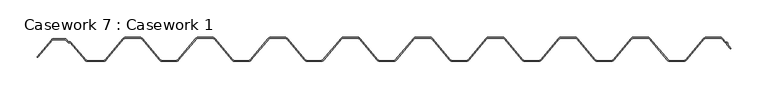
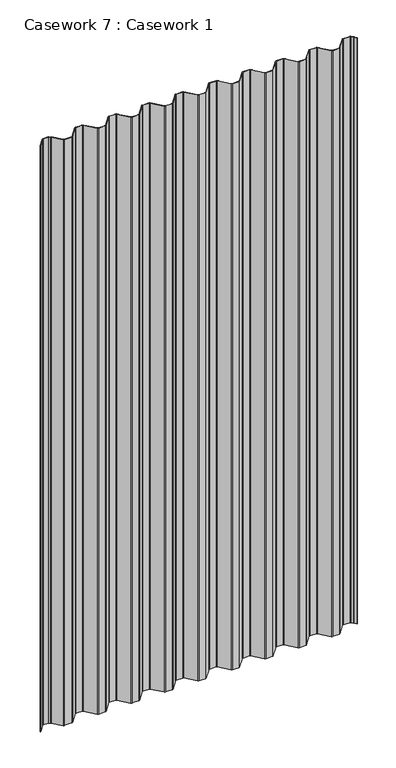
"""IFC4 building model written with IfcOpenShell, lengths in millimetres: furniture geometry, Casework 7 : Casework 1."""

from ifc_helpers import new_model, si_unit, point, frame, frame_2d, origin, place, context, project, spatial, polyline, circle_curve, trimmed, segment, composite_curve, outline, extrude, source, transform, mapped, element, save


def casework_7_casework_1_9f681fa9(model_context):
    return source(origin(), model_context, "Body", "SweptSolid", [
        extrude(outline(composite_curve([segment(polyline([(15845.6371749, 641.4396721), (15845.8426386, 643.672881), (15843.6094297, 643.8783447), (15839.1903616, 649.1929472)]), True, "CONTINUOUS"), segment(trimmed(circle_curve(frame_2d((15836.893565, 647.2629924)), 3.0), [point((15839.1903616, 649.1929472))], [point((15836.893565, 650.2629924))], True, "CARTESIAN"), True, "CONTINUOUS"), segment(polyline([(15836.893565, 650.2629924), (15817.8935645, 650.2629919)]), True, "CONTINUOUS"), segment(trimmed(circle_curve(frame_2d((15817.8935646, 647.2629919)), 3.0), [point((15817.8935645, 650.2629919))], [point((15815.5999142, 649.1966847))], True, "CARTESIAN"), True, "CONTINUOUS"), segment(polyline([(15815.5999142, 649.1966847), (15791.3517655, 620.4347353)]), True, "CONTINUOUS"), segment(trimmed(circle_curve(frame_2d((15788.293565, 623.0129924)), 4.0), [point((15791.3517655, 620.4347353))], [point((15788.293565, 619.0129924))], False, "CARTESIAN"), True, "CONTINUOUS"), segment(polyline([(15788.293565, 619.0129924), (15769.273565, 619.0129924)]), True, "CONTINUOUS"), segment(trimmed(circle_curve(frame_2d((15769.273565, 623.0129924)), 4.0), [point((15769.273565, 619.0129924))], [point((15766.2153653, 620.4347344))], False, "CARTESIAN"), True, "CONTINUOUS"), segment(polyline([(15766.2153653, 620.4347344), (15741.9723112, 649.1906242)]), True, "CONTINUOUS"), segment(trimmed(circle_curve(frame_2d((15739.673565, 647.2629919)), 3.0), [point((15741.9723112, 649.1906242))], [point((15739.6735651, 650.2629919))], True, "CARTESIAN"), True, "CONTINUOUS"), segment(polyline([(15739.6735651, 650.2629919), (15720.6735651, 650.2629924)]), True, "CONTINUOUS"), segment(trimmed(circle_curve(frame_2d((15720.673565, 647.2629924)), 3.0), [point((15720.6735651, 650.2629924))], [point((15718.3747391, 649.1905296))], True, "CARTESIAN"), True, "CONTINUOUS"), segment(polyline([(15718.3747391, 649.1905296), (15694.1369428, 620.4408889)]), True, "CONTINUOUS"), segment(trimmed(circle_curve(frame_2d((15691.073565, 623.0129924)), 4.0), [point((15694.1369428, 620.4408889))], [point((15691.073565, 619.0129924))], False, "CARTESIAN"), True, "CONTINUOUS"), segment(polyline([(15691.073565, 619.0129924), (15672.051565, 619.0129924)]), True, "CONTINUOUS"), segment(trimmed(circle_curve(frame_2d((15672.051565, 623.0129924)), 4.0), [point((15672.051565, 619.0129924))], [point((15668.9881873, 620.4408889))], False, "CARTESIAN"), True, "CONTINUOUS"), segment(polyline([(15668.9881873, 620.4408889), (15644.7503113, 649.1906241)]), True, "CONTINUOUS"), segment(trimmed(circle_curve(frame_2d((15642.451565, 647.2629919)), 3.0), [point((15644.7503113, 649.1906241))], [point((15642.451565, 650.2629919))], True, "CARTESIAN"), True, "CONTINUOUS"), segment(polyline([(15642.451565, 650.2629919), (15623.4533174, 650.2629919)]), True, "CONTINUOUS"), segment(trimmed(circle_curve(frame_2d((15623.451565, 647.2629924)), 3.0), [point((15623.4533174, 650.2629919))], [point((15621.1579147, 649.1966852))], True, "CARTESIAN"), True, "CONTINUOUS"), segment(polyline([(15621.1579147, 649.1966852), (15596.9097655, 620.4347353)]), True, "CONTINUOUS"), segment(trimmed(circle_curve(frame_2d((15593.851565, 623.0129924)), 4.0), [point((15596.9097655, 620.4347353))], [point((15593.851565, 619.0129924))], False, "CARTESIAN"), True, "CONTINUOUS"), segment(polyline([(15593.851565, 619.0129924), (15574.829565, 619.0129924)]), True, "CONTINUOUS"), segment(trimmed(circle_curve(frame_2d((15574.829565, 623.0129924)), 4.0), [point((15574.829565, 619.0129924))], [point((15571.7661873, 620.4408889))], False, "CARTESIAN"), True, "CONTINUOUS"), segment(polyline([(15571.7661873, 620.4408889), (15547.5283113, 649.1906241)]), True, "CONTINUOUS"), segment(trimmed(circle_curve(frame_2d((15545.229565, 647.2629919)), 3.0), [point((15547.5283113, 649.1906241))], [point((15545.229565, 650.2629919))], True, "CARTESIAN"), True, "CONTINUOUS"), segment(polyline([(15545.229565, 650.2629919), (15526.2313174, 650.2629919)]), True, "CONTINUOUS"), segment(trimmed(circle_curve(frame_2d((15526.229565, 647.2629924)), 3.0), [point((15526.2313174, 650.2629919))], [point((15523.9359151, 649.1966857))], True, "CARTESIAN"), True, "CONTINUOUS"), segment(polyline([(15523.9359151, 649.1966857), (15499.6929428, 620.4408889)]), True, "CONTINUOUS"), segment(trimmed(circle_curve(frame_2d((15496.629565, 623.0129924)), 4.0), [point((15499.6929428, 620.4408889))], [point((15496.629565, 619.0129924))], False, "CARTESIAN"), True, "CONTINUOUS"), segment(polyline([(15496.629565, 619.0129924), (15477.607565, 619.0129924)]), True, "CONTINUOUS"), segment(trimmed(circle_curve(frame_2d((15477.607565, 623.0129924)), 4.0), [point((15477.607565, 619.0129924))], [point((15474.5441873, 620.4408889))], False, "CARTESIAN"), True, "CONTINUOUS"), segment(polyline([(15474.5441873, 620.4408889), (15450.3063113, 649.1906241)]), True, "CONTINUOUS"), segment(trimmed(circle_curve(frame_2d((15448.007565, 647.2629919)), 3.0), [point((15450.3063113, 649.1906241))], [point((15448.0075651, 650.2629919))], True, "CARTESIAN"), True, "CONTINUOUS"), segment(polyline([(15448.0075651, 650.2629919), (15429.0075651, 650.2629924)]), True, "CONTINUOUS"), segment(trimmed(circle_curve(frame_2d((15429.007565, 647.2629924)), 3.0), [point((15429.0075651, 650.2629924))], [point((15426.7087392, 649.1905297))], True, "CARTESIAN"), True, "CONTINUOUS"), segment(polyline([(15426.7087392, 649.1905297), (15402.4657648, 620.4347344)]), True, "CONTINUOUS"), segment(trimmed(circle_curve(frame_2d((15399.407565, 623.0129924)), 4.0), [point((15402.4657648, 620.4347344))], [point((15399.407565, 619.0129924))], False, "CARTESIAN"), True, "CONTINUOUS"), segment(polyline([(15399.407565, 619.0129924), (15380.385565, 619.0129924)]), True, "CONTINUOUS"), segment(trimmed(circle_curve(frame_2d((15380.385565, 623.0129924)), 4.0), [point((15380.385565, 619.0129924))], [point((15377.3273645, 620.4347353))], False, "CARTESIAN"), True, "CONTINUOUS"), segment(polyline([(15377.3273645, 620.4347353), (15353.0792154, 649.1966852)]), True, "CONTINUOUS"), segment(trimmed(circle_curve(frame_2d((15350.785565, 647.2629924)), 3.0), [point((15353.0792154, 649.1966852))], [point((15350.785565, 650.2629924))], True, "CARTESIAN"), True, "CONTINUOUS"), segment(polyline([(15350.785565, 650.2629924), (15331.7855645, 650.2629919)]), True, "CONTINUOUS"), segment(trimmed(circle_curve(frame_2d((15331.7855646, 647.2629919)), 3.0), [point((15331.7855645, 650.2629919))], [point((15329.4919146, 649.1966852))], True, "CARTESIAN"), True, "CONTINUOUS"), segment(polyline([(15329.4919146, 649.1966852), (15305.2489428, 620.4408889)]), True, "CONTINUOUS"), segment(trimmed(circle_curve(frame_2d((15302.185565, 623.0129924)), 4.0), [point((15305.2489428, 620.4408889))], [point((15302.185565, 619.0129924))], False, "CARTESIAN"), True, "CONTINUOUS"), segment(polyline([(15302.185565, 619.0129924), (15283.161565, 619.0129924)]), True, "CONTINUOUS"), segment(trimmed(circle_curve(frame_2d((15283.161565, 623.0129924)), 4.0), [point((15283.161565, 619.0129924))], [point((15280.0981873, 620.4408889))], False, "CARTESIAN"), True, "CONTINUOUS"), segment(polyline([(15280.0981873, 620.4408889), (15255.8603113, 649.1906241)]), True, "CONTINUOUS"), segment(trimmed(circle_curve(frame_2d((15253.561565, 647.2629919)), 3.0), [point((15255.8603113, 649.1906241))], [point((15253.5615651, 650.2629919))], True, "CARTESIAN"), True, "CONTINUOUS"), segment(polyline([(15253.5615651, 650.2629919), (15234.5615651, 650.2629924)]), True, "CONTINUOUS"), segment(trimmed(circle_curve(frame_2d((15234.561565, 647.2629924)), 3.0), [point((15234.5615651, 650.2629924))], [point((15232.2627391, 649.1905296))], True, "CARTESIAN"), True, "CONTINUOUS"), segment(polyline([(15232.2627391, 649.1905296), (15208.0249428, 620.4408889)]), True, "CONTINUOUS"), segment(trimmed(circle_curve(frame_2d((15204.961565, 623.0129924)), 4.0), [point((15208.0249428, 620.4408889))], [point((15204.961565, 619.0129924))], False, "CARTESIAN"), True, "CONTINUOUS"), segment(polyline([(15204.961565, 619.0129924), (15185.939565, 619.0129924)]), True, "CONTINUOUS"), segment(trimmed(circle_curve(frame_2d((15185.939565, 623.0129924)), 4.0), [point((15185.939565, 619.0129924))], [point((15182.8761873, 620.4408889))], False, "CARTESIAN"), True, "CONTINUOUS"), segment(polyline([(15182.8761873, 620.4408889), (15158.6383113, 649.1906241)]), True, "CONTINUOUS"), segment(trimmed(circle_curve(frame_2d((15156.339565, 647.2629919)), 3.0), [point((15158.6383113, 649.1906241))], [point((15156.3395651, 650.2629919))], True, "CARTESIAN"), True, "CONTINUOUS"), segment(polyline([(15156.3395651, 650.2629919), (15137.3395651, 650.2629924)]), True, "CONTINUOUS"), segment(trimmed(circle_curve(frame_2d((15137.339565, 647.2629924)), 3.0), [point((15137.3395651, 650.2629924))], [point((15135.0407391, 649.1905296))], True, "CARTESIAN"), True, "CONTINUOUS"), segment(polyline([(15135.0407391, 649.1905296), (15110.8029428, 620.4408889)]), True, "CONTINUOUS"), segment(trimmed(circle_curve(frame_2d((15107.739565, 623.0129924)), 4.0), [point((15110.8029428, 620.4408889))], [point((15107.739565, 619.0129924))], False, "CARTESIAN"), True, "CONTINUOUS"), segment(polyline([(15107.739565, 619.0129924), (15088.717565, 619.0129924)]), True, "CONTINUOUS"), segment(trimmed(circle_curve(frame_2d((15088.717565, 623.0129924)), 4.0), [point((15088.717565, 619.0129924))], [point((15085.6541873, 620.4408889))], False, "CARTESIAN"), True, "CONTINUOUS"), segment(polyline([(15085.6541873, 620.4408889), (15061.4163113, 649.1906241)]), True, "CONTINUOUS"), segment(trimmed(circle_curve(frame_2d((15059.117565, 647.2629919)), 3.0), [point((15061.4163113, 649.1906241))], [point((15059.1175651, 650.2629919))], True, "CARTESIAN"), True, "CONTINUOUS"), segment(polyline([(15059.1175651, 650.2629919), (15040.1175651, 650.2629924)]), True, "CONTINUOUS"), segment(trimmed(circle_curve(frame_2d((15040.117565, 647.2629924)), 3.0), [point((15040.1175651, 650.2629924))], [point((15037.8187391, 649.1905296))], True, "CARTESIAN"), True, "CONTINUOUS"), segment(polyline([(15037.8187391, 649.1905296), (15013.5809428, 620.4408889)]), True, "CONTINUOUS"), segment(trimmed(circle_curve(frame_2d((15010.517565, 623.0129924)), 4.0), [point((15013.5809428, 620.4408889))], [point((15010.517565, 619.0129924))], False, "CARTESIAN"), True, "CONTINUOUS"), segment(polyline([(15010.517565, 619.0129924), (14988.7367355, 619.0129924)]), True, "CONTINUOUS"), segment(trimmed(circle_curve(frame_2d((14988.7367355, 623.0129924)), 4.0), [point((14988.7367355, 619.0129924))], [point((14985.6874313, 620.4242198))], False, "CARTESIAN"), True, "CONTINUOUS"), segment(polyline([(14985.6874313, 620.4242198), (14965.5584949, 644.2629924), (14963.6630823, 644.2629924)]), True, "CONTINUOUS"), segment(trimmed(circle_curve(frame_2d((14963.6630823, 646.2629924)), 2.0), [point((14963.6630823, 644.2629924))], [point((14962.1252507, 644.9842923))], False, "CARTESIAN"), True, "CONTINUOUS"), segment(polyline([(14962.1252507, 644.9842923), (14959.3925009, 648.2708403), (14943.9399323, 648.2629924)]), True, "CONTINUOUS"), segment(trimmed(circle_curve(frame_2d((14943.9399323, 645.2629924)), 3.0), [point((14943.9399323, 648.2629924))], [point((14941.6514749, 647.2028282))], True, "CARTESIAN"), True, "CONTINUOUS"), segment(polyline([(14941.6514749, 647.2028282), (14922.5196012, 624.5095632)]), True, "CONTINUOUS"), segment(trimmed(circle_curve(frame_2d((14922.1876551, 624.8872827)), 0.5028521), [point((14922.5196012, 624.5095632))], [point((14921.7966256, 625.2034411))], False, "CARTESIAN"), True, "CONTINUOUS"), segment(polyline([(14921.7966256, 625.2034411), (14940.8757545, 647.8341429)]), True, "CONTINUOUS"), segment(trimmed(circle_curve(frame_2d((14943.9399323, 645.2629924)), 4.0), [point((14940.8757545, 647.8341429))], [point((14943.9399323, 649.2629924))], False, "CARTESIAN"), True, "CONTINUOUS"), segment(polyline([(14943.9399323, 649.2629924), (14959.391993, 649.27084)]), True, "CONTINUOUS"), segment(trimmed(circle_curve(frame_2d((14959.3925009, 648.2708403)), 1.0), [point((14959.391993, 649.27084))], [point((14960.1614167, 648.9101903))], False, "CARTESIAN"), True, "CONTINUOUS"), segment(polyline([(14960.1614167, 648.9101903), (14962.8941665, 645.6236424)]), True, "CONTINUOUS"), segment(trimmed(circle_curve(frame_2d((14963.6630823, 646.2629924)), 1.0), [point((14962.8941665, 645.6236424))], [point((14963.6630823, 645.2629924))], True, "CARTESIAN"), True, "CONTINUOUS"), segment(polyline([(14963.6630823, 645.2629924), (14966.0229233, 645.2629924), (14986.4386022, 621.0846296)]), True, "CONTINUOUS"), segment(trimmed(circle_curve(frame_2d((14988.7367355, 623.0129924)), 3.0), [point((14986.4386022, 621.0846296))], [point((14988.7367355, 620.0129924))], True, "CARTESIAN"), True, "CONTINUOUS"), segment(polyline([(14988.7367355, 620.0129924), (15010.517565, 620.0129924)]), True, "CONTINUOUS"), segment(trimmed(circle_curve(frame_2d((15010.517565, 623.0129924)), 3.0), [point((15010.517565, 620.0129924))], [point((15012.8156984, 621.0846296))], True, "CARTESIAN"), True, "CONTINUOUS"), segment(polyline([(15012.8156984, 621.0846296), (15037.0533873, 649.8341429)]), True, "CONTINUOUS"), segment(trimmed(circle_curve(frame_2d((15040.117565, 647.2629924)), 4.0), [point((15037.0533873, 649.8341429))], [point((15040.117565, 651.2629924))], False, "CARTESIAN"), True, "CONTINUOUS"), segment(polyline([(15040.117565, 651.2629924), (15059.117565, 651.2629924)]), True, "CONTINUOUS"), segment(trimmed(circle_curve(frame_2d((15059.117565, 647.2629924)), 4.0), [point((15059.117565, 651.2629924))], [point((15062.1817428, 649.8341429))], False, "CARTESIAN"), True, "CONTINUOUS"), segment(polyline([(15062.1817428, 649.8341429), (15086.4194317, 621.0846296)]), True, "CONTINUOUS"), segment(trimmed(circle_curve(frame_2d((15088.717565, 623.0129924)), 3.0), [point((15086.4194317, 621.0846296))], [point((15088.717565, 620.0129924))], True, "CARTESIAN"), True, "CONTINUOUS"), segment(polyline([(15088.717565, 620.0129924), (15107.739565, 620.0129924)]), True, "CONTINUOUS"), segment(trimmed(circle_curve(frame_2d((15107.739565, 623.0129924)), 3.0), [point((15107.739565, 620.0129924))], [point((15110.0376984, 621.0846296))], True, "CARTESIAN"), True, "CONTINUOUS"), segment(polyline([(15110.0376984, 621.0846296), (15134.2753873, 649.8341429)]), True, "CONTINUOUS"), segment(trimmed(circle_curve(frame_2d((15137.339565, 647.2629924)), 4.0), [point((15134.2753873, 649.8341429))], [point((15137.339565, 651.2629924))], False, "CARTESIAN"), True, "CONTINUOUS"), segment(polyline([(15137.339565, 651.2629924), (15156.339565, 651.2629924)]), True, "CONTINUOUS"), segment(trimmed(circle_curve(frame_2d((15156.339565, 647.2629924)), 4.0), [point((15156.339565, 651.2629924))], [point((15159.4037428, 649.8341429))], False, "CARTESIAN"), True, "CONTINUOUS"), segment(polyline([(15159.4037428, 649.8341429), (15183.6414317, 621.0846296)]), True, "CONTINUOUS"), segment(trimmed(circle_curve(frame_2d((15185.939565, 623.0129924)), 3.0), [point((15183.6414317, 621.0846296))], [point((15185.939565, 620.0129924))], True, "CARTESIAN"), True, "CONTINUOUS"), segment(polyline([(15185.939565, 620.0129924), (15204.961565, 620.0129924)]), True, "CONTINUOUS"), segment(trimmed(circle_curve(frame_2d((15204.961565, 623.0129924)), 3.0), [point((15204.961565, 620.0129924))], [point((15207.2596984, 621.0846296))], True, "CARTESIAN"), True, "CONTINUOUS"), segment(polyline([(15207.2596984, 621.0846296), (15231.4973873, 649.8341429)]), True, "CONTINUOUS"), segment(trimmed(circle_curve(frame_2d((15234.561565, 647.2629924)), 4.0), [point((15231.4973873, 649.8341429))], [point((15234.561565, 651.2629924))], False, "CARTESIAN"), True, "CONTINUOUS"), segment(polyline([(15234.561565, 651.2629924), (15253.561565, 651.2629924)]), True, "CONTINUOUS"), segment(trimmed(circle_curve(frame_2d((15253.561565, 647.2629924)), 4.0), [point((15253.561565, 651.2629924))], [point((15256.6257428, 649.8341429))], False, "CARTESIAN"), True, "CONTINUOUS"), segment(polyline([(15256.6257428, 649.8341429), (15280.8634317, 621.0846296)]), True, "CONTINUOUS"), segment(trimmed(circle_curve(frame_2d((15283.161565, 623.0129924)), 3.0), [point((15280.8634317, 621.0846296))], [point((15283.161565, 620.0129924))], True, "CARTESIAN"), True, "CONTINUOUS"), segment(polyline([(15283.161565, 620.0129924), (15302.185565, 620.0129924)]), True, "CONTINUOUS"), segment(trimmed(circle_curve(frame_2d((15302.185565, 623.0129924)), 3.0), [point((15302.185565, 620.0129924))], [point((15304.4836984, 621.0846296))], True, "CARTESIAN"), True, "CONTINUOUS"), segment(polyline([(15304.4836984, 621.0846296), (15328.7273651, 649.8412502)]), True, "CONTINUOUS"), segment(trimmed(circle_curve(frame_2d((15331.785565, 647.2629924)), 4.0), [point((15328.7273651, 649.8412502))], [point((15331.785565, 651.2629924))], False, "CARTESIAN"), True, "CONTINUOUS"), segment(polyline([(15331.785565, 651.2629924), (15350.785565, 651.2629924)]), True, "CONTINUOUS"), segment(trimmed(circle_curve(frame_2d((15350.785565, 647.2629924)), 4.0), [point((15350.785565, 651.2629924))], [point((15353.8437655, 649.8412495))], False, "CARTESIAN"), True, "CONTINUOUS"), segment(polyline([(15353.8437655, 649.8412495), (15378.0919147, 621.0792996)]), True, "CONTINUOUS"), segment(trimmed(circle_curve(frame_2d((15380.385565, 623.0129924)), 3.0), [point((15378.0919147, 621.0792996))], [point((15380.385565, 620.0129924))], True, "CARTESIAN"), True, "CONTINUOUS"), segment(polyline([(15380.385565, 620.0129924), (15399.407565, 620.0129924)]), True, "CONTINUOUS"), segment(trimmed(circle_curve(frame_2d((15399.407565, 623.0129924)), 3.0), [point((15399.407565, 620.0129924))], [point((15401.7012149, 621.0792989))], True, "CARTESIAN"), True, "CONTINUOUS"), segment(polyline([(15401.7012149, 621.0792989), (15425.9433873, 649.8341429)]), True, "CONTINUOUS"), segment(trimmed(circle_curve(frame_2d((15429.007565, 647.2629924)), 4.0), [point((15425.9433873, 649.8341429))], [point((15429.007565, 651.2629924))], False, "CARTESIAN"), True, "CONTINUOUS"), segment(polyline([(15429.007565, 651.2629924), (15448.007565, 651.2629924)]), True, "CONTINUOUS"), segment(trimmed(circle_curve(frame_2d((15448.007565, 647.2629924)), 4.0), [point((15448.007565, 651.2629924))], [point((15451.0717428, 649.8341429))], False, "CARTESIAN"), True, "CONTINUOUS"), segment(polyline([(15451.0717428, 649.8341429), (15475.3094317, 621.0846296)]), True, "CONTINUOUS"), segment(trimmed(circle_curve(frame_2d((15477.607565, 623.0129924)), 3.0), [point((15475.3094317, 621.0846296))], [point((15477.607565, 620.0129924))], True, "CARTESIAN"), True, "CONTINUOUS"), segment(polyline([(15477.607565, 620.0129924), (15496.629565, 620.0129924)]), True, "CONTINUOUS"), segment(trimmed(circle_curve(frame_2d((15496.629565, 623.0129924)), 3.0), [point((15496.629565, 620.0129924))], [point((15498.9276984, 621.0846296))], True, "CARTESIAN"), True, "CONTINUOUS"), segment(polyline([(15498.9276984, 621.0846296), (15523.1713651, 649.8412502)]), True, "CONTINUOUS"), segment(trimmed(circle_curve(frame_2d((15526.229565, 647.2629924)), 4.0), [point((15523.1713651, 649.8412502))], [point((15526.229565, 651.2629924))], False, "CARTESIAN"), True, "CONTINUOUS"), segment(polyline([(15526.229565, 651.2629924), (15545.229565, 651.2629924)]), True, "CONTINUOUS"), segment(trimmed(circle_curve(frame_2d((15545.229565, 647.2629924)), 4.0), [point((15545.229565, 651.2629924))], [point((15548.2937428, 649.8341429))], False, "CARTESIAN"), True, "CONTINUOUS"), segment(polyline([(15548.2937428, 649.8341429), (15572.5314317, 621.0846296)]), True, "CONTINUOUS"), segment(trimmed(circle_curve(frame_2d((15574.829565, 623.0129924)), 3.0), [point((15572.5314317, 621.0846296))], [point((15574.829565, 620.0129924))], True, "CARTESIAN"), True, "CONTINUOUS"), segment(polyline([(15574.829565, 620.0129924), (15593.851565, 620.0129924)]), True, "CONTINUOUS"), segment(trimmed(circle_curve(frame_2d((15593.851565, 623.0129924)), 3.0), [point((15593.851565, 620.0129924))], [point((15596.1452154, 621.0792996))], True, "CARTESIAN"), True, "CONTINUOUS"), segment(polyline([(15596.1452154, 621.0792996), (15620.3933645, 649.8412495)]), True, "CONTINUOUS"), segment(trimmed(circle_curve(frame_2d((15623.451565, 647.2629924)), 4.0), [point((15620.3933645, 649.8412495))], [point((15623.451565, 651.2629924))], False, "CARTESIAN"), True, "CONTINUOUS"), segment(polyline([(15623.451565, 651.2629924), (15642.451565, 651.2629924)]), True, "CONTINUOUS"), segment(trimmed(circle_curve(frame_2d((15642.451565, 647.2629924)), 4.0), [point((15642.451565, 651.2629924))], [point((15645.5157428, 649.8341429))], False, "CARTESIAN"), True, "CONTINUOUS"), segment(polyline([(15645.5157428, 649.8341429), (15669.7534317, 621.0846296)]), True, "CONTINUOUS"), segment(trimmed(circle_curve(frame_2d((15672.051565, 623.0129924)), 3.0), [point((15669.7534317, 621.0846296))], [point((15672.051565, 620.0129924))], True, "CARTESIAN"), True, "CONTINUOUS"), segment(polyline([(15672.051565, 620.0129924), (15691.073565, 620.0129924)]), True, "CONTINUOUS"), segment(trimmed(circle_curve(frame_2d((15691.073565, 623.0129924)), 3.0), [point((15691.073565, 620.0129924))], [point((15693.3716984, 621.0846296))], True, "CARTESIAN"), True, "CONTINUOUS"), segment(polyline([(15693.3716984, 621.0846296), (15717.6093873, 649.8341429)]), True, "CONTINUOUS"), segment(trimmed(circle_curve(frame_2d((15720.673565, 647.2629924)), 4.0), [point((15717.6093873, 649.8341429))], [point((15720.673565, 651.2629924))], False, "CARTESIAN"), True, "CONTINUOUS"), segment(polyline([(15720.673565, 651.2629924), (15739.673565, 651.2629924)]), True, "CONTINUOUS"), segment(trimmed(circle_curve(frame_2d((15739.673565, 647.2629924)), 4.0), [point((15739.673565, 651.2629924))], [point((15742.7377428, 649.8341429))], False, "CARTESIAN"), True, "CONTINUOUS"), segment(polyline([(15742.7377428, 649.8341429), (15766.9799152, 621.0792989)]), True, "CONTINUOUS"), segment(trimmed(circle_curve(frame_2d((15769.273565, 623.0129924)), 3.0), [point((15766.9799152, 621.0792989))], [point((15769.273565, 620.0129924))], True, "CARTESIAN"), True, "CONTINUOUS"), segment(polyline([(15769.273565, 620.0129924), (15788.293565, 620.0129924)]), True, "CONTINUOUS"), segment(trimmed(circle_curve(frame_2d((15788.293565, 623.0129924)), 3.0), [point((15788.293565, 620.0129924))], [point((15790.5872154, 621.0792996))], True, "CARTESIAN"), True, "CONTINUOUS"), segment(polyline([(15790.5872154, 621.0792996), (15814.8353645, 649.8412495)]), True, "CONTINUOUS"), segment(trimmed(circle_curve(frame_2d((15817.893565, 647.2629924)), 4.0), [point((15814.8353645, 649.8412495))], [point((15817.893565, 651.2629924))], False, "CARTESIAN"), True, "CONTINUOUS"), segment(polyline([(15817.893565, 651.2629924), (15836.893565, 651.2629924)]), True, "CONTINUOUS"), segment(trimmed(circle_curve(frame_2d((15836.893565, 647.2629924)), 4.0), [point((15836.893565, 651.2629924))], [point((15839.9577428, 649.8341429))], False, "CARTESIAN"), True, "CONTINUOUS"), segment(polyline([(15839.9577428, 649.8341429), (15844.113518, 644.8361901), (15846.2259168, 644.6418414), (15846.8652668, 643.8729256), (15846.6709182, 641.7605268), (15850.8266934, 636.762574)]), True, "CONTINUOUS"), segment(trimmed(circle_curve(frame_2d((15850.4389812, 636.440193)), 0.5042323), [point((15850.8266934, 636.762574))], [point((15850.1166002, 636.0524808))], False, "CARTESIAN"), True, "CONTINUOUS"), segment(polyline([(15850.1166002, 636.0524808), (15845.6371749, 641.4396721)]), True, "CONTINUOUS")], self_intersect=False)), frame((0.0, 0.0, -1746.662203), z_axis=(0.0, 0.0, 1.0), x_axis=(1.0, 0.0, 0.0)), (0.0, 0.0, 1.0), 1800.0),
    ])


if __name__ == "__main__":
    model = new_model("IFC4")
    model_context = context("Model", 3, world=origin())
    ifc_project = project(units=[si_unit("LENGTHUNIT", "METRE", prefix="MILLI")], contexts=[model_context])
    site = spatial("IfcSite", under=ifc_project)
    building = spatial("IfcBuilding", under=site)
    placement = place(None, origin())
    casework_7_casework_1_shape = casework_7_casework_1_9f681fa9(model_context)
    element("IfcFurniture", 1, ObjectType="Casework 7 : Casework 1", at=placement, inside=building, context=model_context, shape_type="MappedRepresentation", body=[
        mapped(casework_7_casework_1_shape, transform((0.0, 0.0, 0.0), x_axis=(1.0, 0.0, 0.0), y_axis=(0.0, 1.0, 0.0), z_axis=(0.0, 0.0, 1.0))),
    ])
    save(model, "model.ifc")
